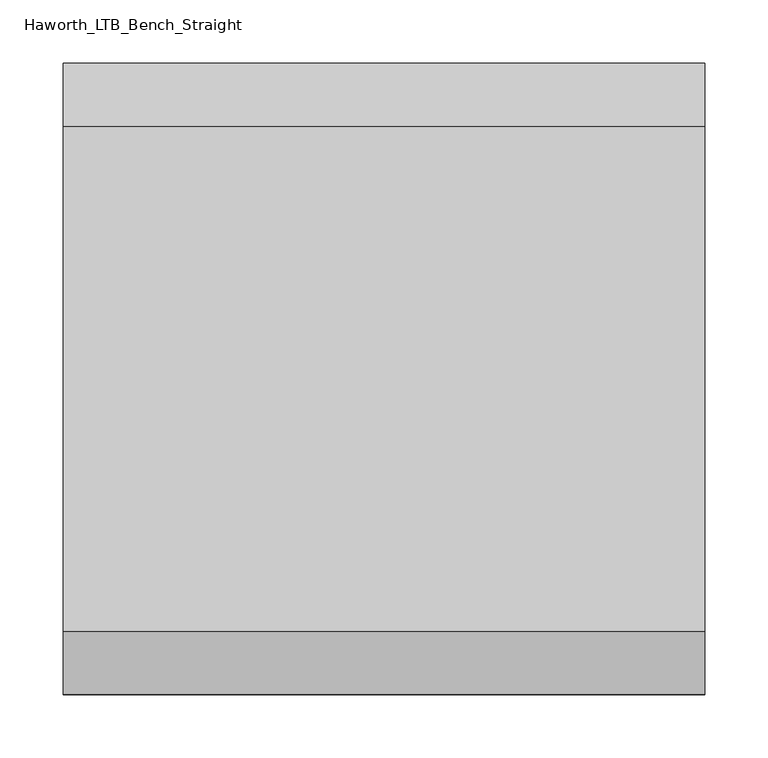
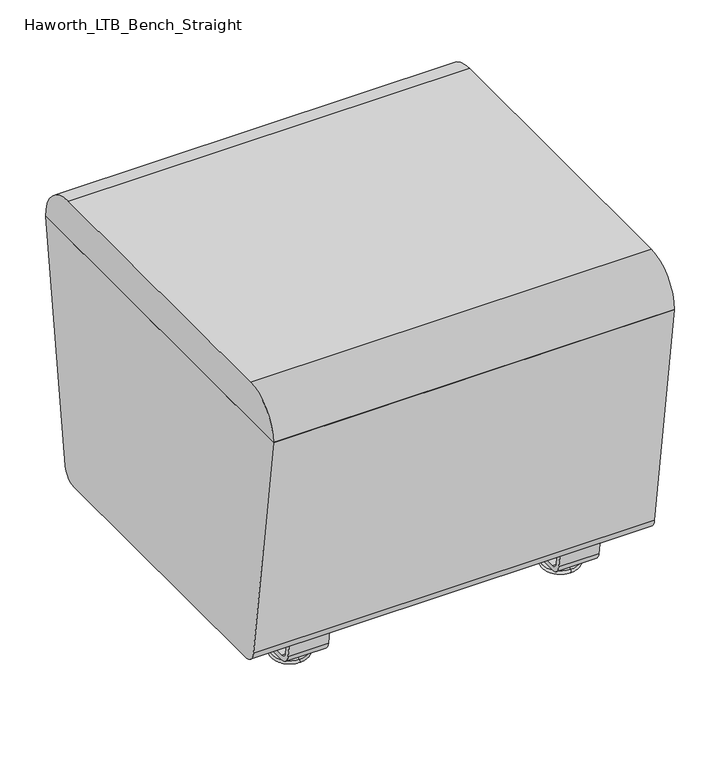
"""IFC4 building model written with IfcOpenShell, lengths in millimetres: furniture geometry, Haworth_LTB_Bench_Straight."""

from ifc_helpers import new_model, si_unit, point, frame, frame_2d, origin, place, context, project, spatial, polyline, circle_curve, ellipse_curve, trimmed, segment, composite_curve, outline, extrude, source, transform, mapped, element, save
from ifc_brep_helpers import plane_surface, cylinder_surface, revolved_surface, advanced_brep


def haworth_ltb_bench_straight_00ca1a73(model_context):
    return source(origin(), model_context, "Body", "SolidModel", [
        advanced_brep(
        [(171.5045358, -134.8425052, 7.8133431), (171.5045358, -150.8355515, 7.8133431), (171.5045358, -147.6015284, 7.8133431), (171.5045358, -138.0765284, 7.8133431), (171.5045358, -120.9001513, 4.0775), (171.5045358, -164.7779054, 4.0775), (171.5045358, -121.3107026, 0.0), (171.5045358, -164.3673542, 0.0), (171.5045358, -142.8390284, 0.0), (171.5045358, -138.0765284, 50.0000004), (171.5045358, -147.6015284, 50.0000004), (171.5045358, -142.8390284, 50.0000004)],
        [
            (0, 1, circle_curve(frame((171.5045358, -142.8390284, 7.8133431), z_axis=(0.0, 0.0, 1.0), x_axis=(0.0, -1.0, 0.0)), 7.9965232)),
            (1, 2),
            (2, 3, circle_curve(frame((171.5045358, -142.8390284, 7.8133431), z_axis=(0.0, 0.0, -1.0), x_axis=(0.0, -1.0, 0.0)), 4.7625)),
            (3, 0),
            (1, 0, circle_curve(frame((171.5045358, -142.8390284, 7.8133431), z_axis=(0.0, 0.0, 1.0), x_axis=(0.0, -1.0, 0.0)), 7.9965232)),
            (3, 2, circle_curve(frame((171.5045358, -142.8390284, 7.8133431), z_axis=(0.0, 0.0, -1.0), x_axis=(0.0, -1.0, 0.0)), 4.7625)),
            (4, 5, circle_curve(frame((171.5045358, -142.8390284, 4.0775), z_axis=(0.0, 0.0, 1.0), x_axis=(0.0, -1.0, 0.0)), 21.9388771)),
            (5, 1),
            (0, 4),
            (5, 4, circle_curve(frame((171.5045358, -142.8390284, 4.0775), z_axis=(0.0, 0.0, 1.0), x_axis=(0.0, -1.0, 0.0)), 21.9388771)),
            (6, 7, circle_curve(frame((171.5045358, -142.8390284, 0.0), z_axis=(0.0, 0.0, 1.0), x_axis=(0.0, -1.0, 0.0)), 21.5283258)),
            (7, 5, circle_curve(frame((171.5045358, -164.2405822, 2.0721829), z_axis=(-1.0, 0.0, 0.0), x_axis=(0.0, 1.0, 0.0)), 2.0760571)),
            (4, 6, circle_curve(frame((171.5045358, -121.4374745, 2.0721829), z_axis=(-1.0, 0.0, 0.0), x_axis=(0.0, -1.0, 0.0)), 2.0760571)),
            (7, 6, circle_curve(frame((171.5045358, -142.8390284, 0.0), z_axis=(0.0, 0.0, 1.0), x_axis=(0.0, -1.0, 0.0)), 21.5283258)),
            (8, 7),
            (6, 8),
            (9, 10, circle_curve(frame((171.5045358, -142.8390284, 50.0000004), z_axis=(0.0, 0.0, 1.0), x_axis=(0.0, -1.0, 0.0)), 4.7625)),
            (10, 11),
            (11, 9),
            (10, 9, circle_curve(frame((171.5045358, -142.8390284, 50.0000004), z_axis=(0.0, 0.0, 1.0), x_axis=(0.0, -1.0, 0.0)), 4.7625)),
            (2, 10),
            (9, 3),
        ],
        [
            plane_surface(frame((171.5045358, -142.8390284, 7.8133431), z_axis=(0.0, 0.0, 1.0), x_axis=(0.0, -1.0, 0.0))),
            revolved_surface(polyline([(171.5045358, -150.8355515, 7.8133431), (171.5045358, -164.7779054, 4.0775)]), (171.5045358, -142.8390284, 0.0), (0.0, 0.0, -1.0)),
            revolved_surface(trimmed(ellipse_curve(frame((171.5045358, -164.2405822, 2.0721829), z_axis=(1.0, 0.0, 0.0), x_axis=(0.0, 1.0, 0.0)), 2.0760571, 2.0760571), [point((171.5045358, -164.7779054, 4.0775))], [point((171.5045358, -164.3673542, 0.0))], True, "CARTESIAN"), (171.5045358, -142.8390284, 0.0), (0.0, 0.0, -1.0)),
            plane_surface(frame((171.5045358, -142.8390284, 0.0), z_axis=(0.0, 0.0, -1.0), x_axis=(0.0, -1.0, 0.0))),
            plane_surface(frame((171.5045358, -142.8390284, 50.0000004), z_axis=(0.0, 0.0, 1.0), x_axis=(0.0, -1.0, 0.0))),
            cylinder_surface(frame((171.5045358, -142.8390284, 0.0), z_axis=(0.0, 0.0, -1.0), x_axis=(0.0, -1.0, 0.0)), 4.7625),
        ],
        [
            (0, [[1, 2, 3, 4]]),
            (0, [[5, -4, 6, -2]]),
            (1, [[7, 8, -1, 9]]),
            (1, [[10, -9, -5, -8]]),
            (2, [[11, 12, -7, 13]]),
            (2, [[14, -13, -10, -12]]),
            (3, [[15, -11, 16]]),
            (3, [[-16, -14, -15]]),
            (4, [[17, 18, 19]]),
            (4, [[20, -19, -18]]),
            (5, [[-3, 21, -17, 22]]),
            (5, [[-6, -22, -20, -21]]),
        ],
    ),
        advanced_brep(
        [(171.5045358, 138.0765284, 7.8133431), (171.5045358, 147.6015284, 7.8133431), (171.5045358, 150.8355515, 7.8133431), (171.5045358, 134.8425052, 7.8133431), (171.5045358, 164.7779054, 4.0775), (171.5045358, 120.9001513, 4.0775), (171.5045358, 164.3673542, 0.0), (171.5045358, 121.3107026, 0.0), (171.5045358, 142.8390284, 0.0), (171.5045358, 142.8390284, 50.0000004), (171.5045358, 147.6015284, 50.0000004), (171.5045358, 138.0765284, 50.0000004)],
        [
            (0, 1, circle_curve(frame((171.5045358, 142.8390284, 7.8133431), z_axis=(0.0, 0.0, -1.0), x_axis=(0.0, 1.0, 0.0)), 4.7625)),
            (1, 2),
            (2, 3, circle_curve(frame((171.5045358, 142.8390284, 7.8133431), z_axis=(0.0, 0.0, 1.0), x_axis=(0.0, 1.0, 0.0)), 7.9965232)),
            (3, 0),
            (1, 0, circle_curve(frame((171.5045358, 142.8390284, 7.8133431), z_axis=(0.0, 0.0, -1.0), x_axis=(0.0, 1.0, 0.0)), 4.7625)),
            (3, 2, circle_curve(frame((171.5045358, 142.8390284, 7.8133431), z_axis=(0.0, 0.0, 1.0), x_axis=(0.0, 1.0, 0.0)), 7.9965232)),
            (2, 4),
            (4, 5, circle_curve(frame((171.5045358, 142.8390284, 4.0775), z_axis=(0.0, 0.0, 1.0), x_axis=(0.0, 1.0, 0.0)), 21.9388771)),
            (5, 3),
            (5, 4, circle_curve(frame((171.5045358, 142.8390284, 4.0775), z_axis=(0.0, 0.0, 1.0), x_axis=(0.0, 1.0, 0.0)), 21.9388771)),
            (4, 6, circle_curve(frame((171.5045358, 164.2405822, 2.0721829), z_axis=(-1.0, 0.0, 0.0), x_axis=(0.0, -1.0, 0.0)), 2.0760571)),
            (6, 7, circle_curve(frame((171.5045358, 142.8390284, 0.0), z_axis=(0.0, 0.0, 1.0), x_axis=(0.0, 1.0, 0.0)), 21.5283258)),
            (7, 5, circle_curve(frame((171.5045358, 121.4374745, 2.0721829), z_axis=(-1.0, 0.0, 0.0), x_axis=(0.0, 1.0, 0.0)), 2.0760571)),
            (7, 6, circle_curve(frame((171.5045358, 142.8390284, 0.0), z_axis=(0.0, 0.0, 1.0), x_axis=(0.0, 1.0, 0.0)), 21.5283258)),
            (6, 8),
            (8, 7),
            (9, 10),
            (10, 11, circle_curve(frame((171.5045358, 142.8390284, 50.0000004), z_axis=(0.0, 0.0, 1.0), x_axis=(0.0, 1.0, 0.0)), 4.7625)),
            (11, 9),
            (11, 10, circle_curve(frame((171.5045358, 142.8390284, 50.0000004), z_axis=(0.0, 0.0, 1.0), x_axis=(0.0, 1.0, 0.0)), 4.7625)),
            (10, 1),
            (0, 11),
        ],
        [
            plane_surface(frame((171.5045358, 142.8390284, 7.8133431), z_axis=(0.0, 0.0, 1.0), x_axis=(0.0, 1.0, 0.0))),
            revolved_surface(polyline([(171.5045358, 164.7779054, 4.0775), (171.5045358, 150.8355515, 7.8133431)]), (171.5045358, 142.8390284, 0.0), (0.0, 0.0, 1.0)),
            revolved_surface(trimmed(ellipse_curve(frame((171.5045358, 164.2405822, 2.0721829), z_axis=(1.0, 0.0, 0.0), x_axis=(0.0, -1.0, 0.0)), 2.0760571, 2.0760571), [point((171.5045358, 164.3673542, 0.0))], [point((171.5045358, 164.7779054, 4.0775))], True, "CARTESIAN"), (171.5045358, 142.8390284, 0.0), (0.0, 0.0, 1.0)),
            plane_surface(frame((171.5045358, 142.8390284, 0.0), z_axis=(0.0, 0.0, -1.0), x_axis=(0.0, 1.0, 0.0))),
            plane_surface(frame((171.5045358, 142.8390284, 50.0000004), z_axis=(0.0, 0.0, 1.0), x_axis=(0.0, 1.0, 0.0))),
            cylinder_surface(frame((171.5045358, 142.8390284, 0.0), z_axis=(0.0, 0.0, 1.0), x_axis=(0.0, 1.0, 0.0)), 4.7625),
        ],
        [
            (0, [[1, 2, 3, 4]]),
            (0, [[5, -4, 6, -2]]),
            (1, [[-3, 7, 8, 9]]),
            (1, [[-6, -9, 10, -7]]),
            (2, [[-8, 11, 12, 13]]),
            (2, [[-10, -13, 14, -11]]),
            (3, [[-12, 15, 16]]),
            (3, [[-14, -16, -15]]),
            (4, [[17, 18, 19]]),
            (4, [[-19, 20, -17]]),
            (5, [[-18, 21, -1, 22]]),
            (5, [[-20, -22, -5, -21]]),
        ],
    ),
        extrude(outline(composite_curve([segment(polyline([(188.6158944, 62.9950557), (183.6853496, 27.9124042)]), True, "CONTINUOUS"), segment(trimmed(circle_curve(frame_2d((168.8313276, 30.0000007)), 15.000001), [point((183.6853496, 27.9124042))], [point((168.8313276, 14.9999997))], False, "CARTESIAN"), True, "CONTINUOUS"), segment(polyline([(168.8313276, 14.9999997), (-168.8313276, 14.9999997)]), True, "CONTINUOUS"), segment(trimmed(circle_curve(frame_2d((-168.8313276, 30.0000007)), 15.000001), [point((-168.8313276, 14.9999997))], [point((-183.6853496, 27.9124042))], False, "CARTESIAN"), True, "CONTINUOUS"), segment(polyline([(-183.6853496, 27.9124042), (-188.6158944, 62.9950557), (-182.9812615, 63.7869505), (-178.0507241, 28.7043023)]), True, "CONTINUOUS"), segment(trimmed(circle_curve(frame_2d((-168.8313262, 30.0000023)), 9.310002), [point((-178.0507241, 28.7043023))], [point((-168.8313262, 20.6900003))], True, "CARTESIAN"), True, "CONTINUOUS"), segment(polyline([(-168.8313262, 20.6900003), (168.8313262, 20.6900003)]), True, "CONTINUOUS"), segment(trimmed(circle_curve(frame_2d((168.8313262, 30.0000023)), 9.310002), [point((168.8313262, 20.6900003))], [point((178.0507241, 28.7043023))], True, "CARTESIAN"), True, "CONTINUOUS"), segment(polyline([(178.0507241, 28.7043023), (182.9812615, 63.7869505), (188.6158944, 62.9950557)]), True, "CONTINUOUS")], self_intersect=False)), frame((146.1045358, 0.0, 0.0), z_axis=(1.0, 0.0, 0.0), x_axis=(0.0, 1.0, 0.0)), (0.0, 0.0, 1.0), 50.8),
        advanced_brep(
        [(-171.5045358, -138.0765284, 7.8133431), (-171.5045358, -147.6015284, 7.8133431), (-171.5045358, -150.8355515, 7.8133431), (-171.5045358, -134.8425052, 7.8133431), (-171.5045358, -164.7779054, 4.0775), (-171.5045358, -120.9001513, 4.0775), (-171.5045358, -164.3673542, 0.0), (-171.5045358, -121.3107026, 0.0), (-171.5045358, -142.8390284, 0.0), (-171.5045358, -142.8390284, 50.0000004), (-171.5045358, -147.6015284, 50.0000004), (-171.5045358, -138.0765284, 50.0000004)],
        [
            (0, 1, circle_curve(frame((-171.5045358, -142.8390284, 7.8133431), z_axis=(0.0, 0.0, -1.0), x_axis=(0.0, -1.0, 0.0)), 4.7625)),
            (1, 2),
            (2, 3, circle_curve(frame((-171.5045358, -142.8390284, 7.8133431), z_axis=(0.0, 0.0, 1.0), x_axis=(0.0, -1.0, 0.0)), 7.9965232)),
            (3, 0),
            (1, 0, circle_curve(frame((-171.5045358, -142.8390284, 7.8133431), z_axis=(0.0, 0.0, -1.0), x_axis=(0.0, -1.0, 0.0)), 4.7625)),
            (3, 2, circle_curve(frame((-171.5045358, -142.8390284, 7.8133431), z_axis=(0.0, 0.0, 1.0), x_axis=(0.0, -1.0, 0.0)), 7.9965232)),
            (2, 4),
            (4, 5, circle_curve(frame((-171.5045358, -142.8390284, 4.0775), z_axis=(0.0, 0.0, 1.0), x_axis=(0.0, -1.0, 0.0)), 21.9388771)),
            (5, 3),
            (5, 4, circle_curve(frame((-171.5045358, -142.8390284, 4.0775), z_axis=(0.0, 0.0, 1.0), x_axis=(0.0, -1.0, 0.0)), 21.9388771)),
            (4, 6, circle_curve(frame((-171.5045358, -164.2405822, 2.0721829), z_axis=(1.0, 0.0, 0.0), x_axis=(0.0, 1.0, 0.0)), 2.0760571)),
            (6, 7, circle_curve(frame((-171.5045358, -142.8390284, 0.0), z_axis=(0.0, 0.0, 1.0), x_axis=(0.0, -1.0, 0.0)), 21.5283258)),
            (7, 5, circle_curve(frame((-171.5045358, -121.4374745, 2.0721829), z_axis=(1.0, 0.0, 0.0), x_axis=(0.0, -1.0, 0.0)), 2.0760571)),
            (7, 6, circle_curve(frame((-171.5045358, -142.8390284, 0.0), z_axis=(0.0, 0.0, 1.0), x_axis=(0.0, -1.0, 0.0)), 21.5283258)),
            (6, 8),
            (8, 7),
            (9, 10),
            (10, 11, circle_curve(frame((-171.5045358, -142.8390284, 50.0000004), z_axis=(0.0, 0.0, 1.0), x_axis=(0.0, -1.0, 0.0)), 4.7625)),
            (11, 9),
            (11, 10, circle_curve(frame((-171.5045358, -142.8390284, 50.0000004), z_axis=(0.0, 0.0, 1.0), x_axis=(0.0, -1.0, 0.0)), 4.7625)),
            (10, 1),
            (0, 11),
        ],
        [
            plane_surface(frame((-171.5045358, -142.8390284, 7.8133431), z_axis=(0.0, 0.0, 1.0), x_axis=(0.0, -1.0, 0.0))),
            revolved_surface(polyline([(-171.5045358, -164.7779054, 4.0775), (-171.5045358, -150.8355515, 7.8133431)]), (-171.5045358, -142.8390284, 0.0), (0.0, 0.0, 1.0)),
            revolved_surface(trimmed(ellipse_curve(frame((-171.5045358, -164.2405822, 2.0721829), z_axis=(-1.0, 0.0, 0.0), x_axis=(0.0, 1.0, 0.0)), 2.0760571, 2.0760571), [point((-171.5045358, -164.3673542, 0.0))], [point((-171.5045358, -164.7779054, 4.0775))], True, "CARTESIAN"), (-171.5045358, -142.8390284, 0.0), (0.0, 0.0, 1.0)),
            plane_surface(frame((-171.5045358, -142.8390284, 0.0), z_axis=(0.0, 0.0, -1.0), x_axis=(0.0, -1.0, 0.0))),
            plane_surface(frame((-171.5045358, -142.8390284, 50.0000004), z_axis=(0.0, 0.0, 1.0), x_axis=(0.0, -1.0, 0.0))),
            cylinder_surface(frame((-171.5045358, -142.8390284, 0.0), z_axis=(0.0, 0.0, 1.0), x_axis=(0.0, -1.0, 0.0)), 4.7625),
        ],
        [
            (0, [[1, 2, 3, 4]]),
            (0, [[5, -4, 6, -2]]),
            (1, [[-3, 7, 8, 9]]),
            (1, [[-6, -9, 10, -7]]),
            (2, [[-8, 11, 12, 13]]),
            (2, [[-10, -13, 14, -11]]),
            (3, [[-12, 15, 16]]),
            (3, [[-14, -16, -15]]),
            (4, [[17, 18, 19]]),
            (4, [[-19, 20, -17]]),
            (5, [[-18, 21, -1, 22]]),
            (5, [[-20, -22, -5, -21]]),
        ],
    ),
        advanced_brep(
        [(-171.5045358, 134.8425052, 7.8133431), (-171.5045358, 150.8355515, 7.8133431), (-171.5045358, 147.6015284, 7.8133431), (-171.5045358, 138.0765284, 7.8133431), (-171.5045358, 120.9001513, 4.0775), (-171.5045358, 164.7779054, 4.0775), (-171.5045358, 121.3107026, 0.0), (-171.5045358, 164.3673542, 0.0), (-171.5045358, 142.8390284, 0.0), (-171.5045358, 138.0765284, 50.0000004), (-171.5045358, 147.6015284, 50.0000004), (-171.5045358, 142.8390284, 50.0000004)],
        [
            (0, 1, circle_curve(frame((-171.5045358, 142.8390284, 7.8133431), z_axis=(0.0, 0.0, 1.0), x_axis=(0.0, 1.0, 0.0)), 7.9965232)),
            (1, 2),
            (2, 3, circle_curve(frame((-171.5045358, 142.8390284, 7.8133431), z_axis=(0.0, 0.0, -1.0), x_axis=(0.0, 1.0, 0.0)), 4.7625)),
            (3, 0),
            (1, 0, circle_curve(frame((-171.5045358, 142.8390284, 7.8133431), z_axis=(0.0, 0.0, 1.0), x_axis=(0.0, 1.0, 0.0)), 7.9965232)),
            (3, 2, circle_curve(frame((-171.5045358, 142.8390284, 7.8133431), z_axis=(0.0, 0.0, -1.0), x_axis=(0.0, 1.0, 0.0)), 4.7625)),
            (4, 5, circle_curve(frame((-171.5045358, 142.8390284, 4.0775), z_axis=(0.0, 0.0, 1.0), x_axis=(0.0, 1.0, 0.0)), 21.9388771)),
            (5, 1),
            (0, 4),
            (5, 4, circle_curve(frame((-171.5045358, 142.8390284, 4.0775), z_axis=(0.0, 0.0, 1.0), x_axis=(0.0, 1.0, 0.0)), 21.9388771)),
            (6, 7, circle_curve(frame((-171.5045358, 142.8390284, 0.0), z_axis=(0.0, 0.0, 1.0), x_axis=(0.0, 1.0, 0.0)), 21.5283258)),
            (7, 5, circle_curve(frame((-171.5045358, 164.2405822, 2.0721829), z_axis=(1.0, 0.0, 0.0), x_axis=(0.0, -1.0, 0.0)), 2.0760571)),
            (4, 6, circle_curve(frame((-171.5045358, 121.4374745, 2.0721829), z_axis=(1.0, 0.0, 0.0), x_axis=(0.0, 1.0, 0.0)), 2.0760571)),
            (7, 6, circle_curve(frame((-171.5045358, 142.8390284, 0.0), z_axis=(0.0, 0.0, 1.0), x_axis=(0.0, 1.0, 0.0)), 21.5283258)),
            (8, 7),
            (6, 8),
            (9, 10, circle_curve(frame((-171.5045358, 142.8390284, 50.0000004), z_axis=(0.0, 0.0, 1.0), x_axis=(0.0, 1.0, 0.0)), 4.7625)),
            (10, 11),
            (11, 9),
            (10, 9, circle_curve(frame((-171.5045358, 142.8390284, 50.0000004), z_axis=(0.0, 0.0, 1.0), x_axis=(0.0, 1.0, 0.0)), 4.7625)),
            (2, 10),
            (9, 3),
        ],
        [
            plane_surface(frame((-171.5045358, 142.8390284, 7.8133431), z_axis=(0.0, 0.0, 1.0), x_axis=(0.0, 1.0, 0.0))),
            revolved_surface(polyline([(-171.5045358, 150.8355515, 7.8133431), (-171.5045358, 164.7779054, 4.0775)]), (-171.5045358, 142.8390284, 0.0), (0.0, 0.0, -1.0)),
            revolved_surface(trimmed(ellipse_curve(frame((-171.5045358, 164.2405822, 2.0721829), z_axis=(-1.0, 0.0, 0.0), x_axis=(0.0, -1.0, 0.0)), 2.0760571, 2.0760571), [point((-171.5045358, 164.7779054, 4.0775))], [point((-171.5045358, 164.3673542, 0.0))], True, "CARTESIAN"), (-171.5045358, 142.8390284, 0.0), (0.0, 0.0, -1.0)),
            plane_surface(frame((-171.5045358, 142.8390284, 0.0), z_axis=(0.0, 0.0, -1.0), x_axis=(0.0, 1.0, 0.0))),
            plane_surface(frame((-171.5045358, 142.8390284, 50.0000004), z_axis=(0.0, 0.0, 1.0), x_axis=(0.0, 1.0, 0.0))),
            cylinder_surface(frame((-171.5045358, 142.8390284, 0.0), z_axis=(0.0, 0.0, -1.0), x_axis=(0.0, 1.0, 0.0)), 4.7625),
        ],
        [
            (0, [[1, 2, 3, 4]]),
            (0, [[5, -4, 6, -2]]),
            (1, [[7, 8, -1, 9]]),
            (1, [[10, -9, -5, -8]]),
            (2, [[11, 12, -7, 13]]),
            (2, [[14, -13, -10, -12]]),
            (3, [[15, -11, 16]]),
            (3, [[-16, -14, -15]]),
            (4, [[17, 18, 19]]),
            (4, [[20, -19, -18]]),
            (5, [[-3, 21, -17, 22]]),
            (5, [[-6, -22, -20, -21]]),
        ],
    ),
        extrude(outline(composite_curve([segment(polyline([(188.6158944, 62.9950557), (183.6853496, 27.9124042)]), True, "CONTINUOUS"), segment(trimmed(circle_curve(frame_2d((168.8313276, 30.0000007)), 15.000001), [point((183.6853496, 27.9124042))], [point((168.8313276, 14.9999997))], False, "CARTESIAN"), True, "CONTINUOUS"), segment(polyline([(168.8313276, 14.9999997), (-168.8313276, 14.9999997)]), True, "CONTINUOUS"), segment(trimmed(circle_curve(frame_2d((-168.8313276, 30.0000007)), 15.000001), [point((-168.8313276, 14.9999997))], [point((-183.6853496, 27.9124042))], False, "CARTESIAN"), True, "CONTINUOUS"), segment(polyline([(-183.6853496, 27.9124042), (-188.6158944, 62.9950557), (-182.9812615, 63.7869505), (-178.0507241, 28.7043023)]), True, "CONTINUOUS"), segment(trimmed(circle_curve(frame_2d((-168.8313262, 30.0000023)), 9.310002), [point((-178.0507241, 28.7043023))], [point((-168.8313262, 20.6900003))], True, "CARTESIAN"), True, "CONTINUOUS"), segment(polyline([(-168.8313262, 20.6900003), (168.8313262, 20.6900003)]), True, "CONTINUOUS"), segment(trimmed(circle_curve(frame_2d((168.8313262, 30.0000023)), 9.310002), [point((168.8313262, 20.6900003))], [point((178.0507241, 28.7043023))], True, "CARTESIAN"), True, "CONTINUOUS"), segment(polyline([(178.0507241, 28.7043023), (182.9812615, 63.7869505), (188.6158944, 62.9950557)]), True, "CONTINUOUS")], self_intersect=False)), frame((-196.9045358, 0.0, 0.0), z_axis=(1.0, 0.0, 0.0), x_axis=(0.0, 1.0, 0.0)), (0.0, 0.0, 1.0), 50.8),
        extrude(outline(composite_curve([segment(trimmed(circle_curve(frame_2d((187.8390314, 68.9999996)), 18.9999992), [point((206.6541239, 66.3557108))], [point((187.8390314, 50.0000004))], False, "CARTESIAN"), True, "CONTINUOUS"), segment(polyline([(187.8390314, 50.0000004), (-187.8390314, 50.0000004)]), True, "CONTINUOUS"), segment(trimmed(circle_curve(frame_2d((-187.8390314, 68.9999996)), 18.9999992), [point((-187.8390314, 50.0000004))], [point((-206.6541239, 66.3557108))], False, "CARTESIAN"), True, "CONTINUOUS"), segment(polyline([(-206.6541239, 66.3557108), (-249.9820603, 374.65), (249.9820603, 374.65), (206.6541239, 66.3557108)]), True, "CONTINUOUS")], self_intersect=False)), frame((-254.0, 0.0, 0.0), z_axis=(1.0, 0.0, 0.0), x_axis=(0.0, 1.0, 0.0)), (0.0, 0.0, 1.0), 508.0),
        extrude(outline(composite_curve([segment(trimmed(circle_curve(frame_2d((200.0364582, 375.0527774)), 49.9472261), [point((200.0364582, 425.0000035))], [point((249.9820603, 374.65))], False, "CARTESIAN"), True, "CONTINUOUS"), segment(polyline([(249.9820603, 374.65), (-249.9820603, 374.65)]), True, "CONTINUOUS"), segment(trimmed(circle_curve(frame_2d((-200.0364582, 375.0527774)), 49.9472261), [point((-249.9820603, 374.65))], [point((-200.0364582, 425.0000035))], False, "CARTESIAN"), True, "CONTINUOUS"), segment(polyline([(-200.0364582, 425.0000035), (200.0364582, 425.0000035)]), True, "CONTINUOUS")], self_intersect=False)), frame((-254.0, 0.0, 0.0), z_axis=(1.0, 0.0, 0.0), x_axis=(0.0, 1.0, 0.0)), (0.0, 0.0, 1.0), 508.0),
    ])


if __name__ == "__main__":
    model = new_model("IFC4")
    model_context = context("Model", 3, world=origin())
    ifc_project = project(units=[si_unit("LENGTHUNIT", "METRE", prefix="MILLI")], contexts=[model_context])
    site = spatial("IfcSite", under=ifc_project)
    building = spatial("IfcBuilding", under=site)
    placement = place(None, origin())
    haworth_ltb_bench_straight_shape = haworth_ltb_bench_straight_00ca1a73(model_context)
    element("IfcFurniture", 1, ObjectType="Haworth_LTB_Bench_Straight", at=placement, inside=building, context=model_context, shape_type="MappedRepresentation", body=[
        mapped(haworth_ltb_bench_straight_shape, transform((0.0, 0.0, 0.0), x_axis=(1.0, 0.0, 0.0), y_axis=(0.0, 1.0, 0.0), z_axis=(0.0, 0.0, 1.0))),
    ])
    save(model, "model.ifc")
